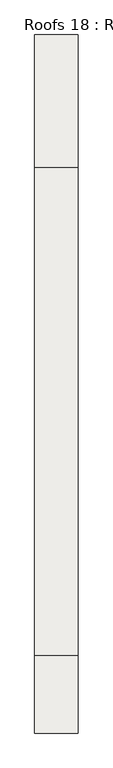
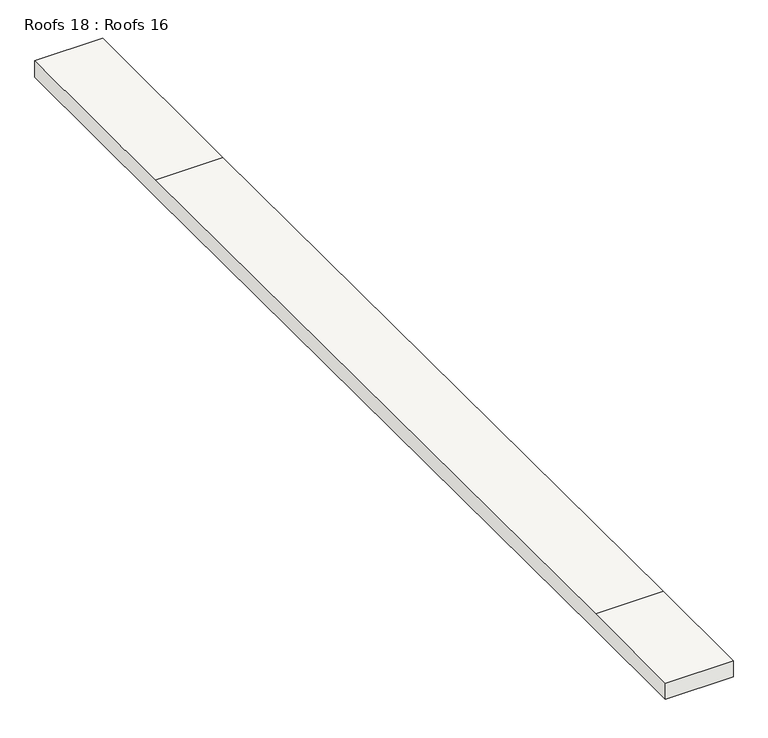
"""IFC4 building model written with IfcOpenShell, lengths in millimetres: roof geometry, Roofs 18 : Roofs 16."""

from ifc_helpers import new_model, si_unit, frame, origin, place, context, project, spatial, polyline, outline, extrude, source, transform, mapped, element, save


def roofs_18_roofs_16_eb344fc8(model_context):
    return source(origin(), model_context, "Body", "SweptSolid", [
        extrude(outline(polyline([(-5211.5942435, -2152.65), (-5211.5942435, -2051.05), (-4500.3942435, -2051.05), (0.7721882, -2073.2017089), (1228.1188459, -2073.2017089), (1228.1188459, -2174.8017089), (0.5221864, -2174.8017089), (-4500.6442454, -2152.65), (-5211.5942435, -2152.65)])), frame((-26342.8103773, 0.0, 0.0), z_axis=(1.0, 0.0, 0.0), x_axis=(0.0, 1.0, 0.0)), (0.0, 0.0, 1.0), 400.05),
    ])


if __name__ == "__main__":
    model = new_model("IFC4")
    model_context = context("Model", 3, world=origin())
    ifc_project = project(units=[si_unit("LENGTHUNIT", "METRE", prefix="MILLI")], contexts=[model_context])
    site = spatial("IfcSite", under=ifc_project)
    building = spatial("IfcBuilding", under=site)
    placement = place(None, origin())
    roofs_18_roofs_16_shape = roofs_18_roofs_16_eb344fc8(model_context)
    element("IfcRoof", 1, ObjectType="Roofs 18 : Roofs 16", at=placement, inside=building, context=model_context, shape_type="MappedRepresentation", body=[
        mapped(roofs_18_roofs_16_shape, transform((0.0, 0.0, 0.0), x_axis=(1.0, 0.0, 0.0), y_axis=(0.0, 1.0, 0.0), z_axis=(0.0, 0.0, 1.0))),
    ])
    save(model, "model.ifc")
